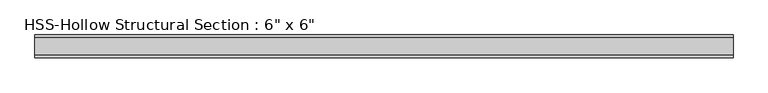
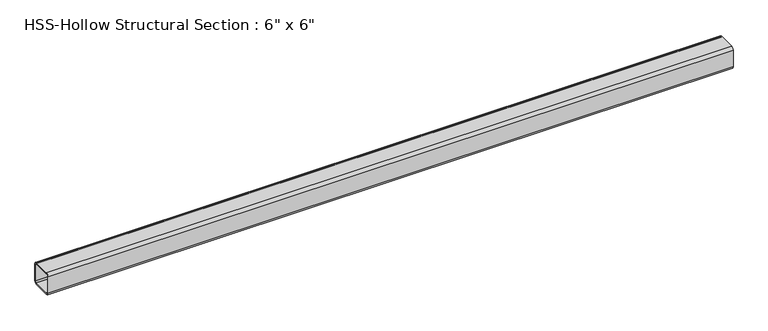
"""IFC4 building model written with IfcOpenShell, lengths in millimetres: beam geometry."""

from ifc_helpers import new_model, si_unit, point, frame, frame_2d, origin, place, context, project, spatial, polyline, circle_curve, trimmed, segment, composite_curve, outline, extrude, source, transform, mapped, element, save


def beam_f4273129(model_context):
    return source(origin(), model_context, "Body", "SweptSolid", [
        extrude(outline(composite_curve([segment(trimmed(circle_curve(frame_2d((-58.5390625, 58.5390625)), 17.6609375), [point((-76.2, 58.5390625))], [point((-58.5390625, 76.2))], False, "CARTESIAN"), True, "CONTINUOUS"), segment(polyline([(-58.5390625, 76.2), (58.5390625, 76.2)]), True, "CONTINUOUS"), segment(trimmed(circle_curve(frame_2d((58.5390625, 58.5390625)), 17.6609375), [point((58.5390625, 76.2))], [point((76.2, 58.5390625))], False, "CARTESIAN"), True, "CONTINUOUS"), segment(polyline([(76.2, 58.5390625), (76.2, -58.5390625)]), True, "CONTINUOUS"), segment(trimmed(circle_curve(frame_2d((58.5390625, -58.5390625)), 17.6609375), [point((76.2, -58.5390625))], [point((58.5390625, -76.2))], False, "CARTESIAN"), True, "CONTINUOUS"), segment(polyline([(58.5390625, -76.2), (-58.5390625, -76.2)]), True, "CONTINUOUS"), segment(trimmed(circle_curve(frame_2d((-58.5390625, -58.5390625)), 17.6609375), [point((-58.5390625, -76.2))], [point((-76.2, -58.5390625))], False, "CARTESIAN"), True, "CONTINUOUS"), segment(polyline([(-76.2, -58.5390625), (-76.2, 58.5390625)]), True, "CONTINUOUS")], self_intersect=False), holes=[composite_curve([segment(polyline([(58.5390625, 67.3695312), (-58.5390625, 67.3695312)]), True, "CONTINUOUS"), segment(trimmed(circle_curve(frame_2d((-58.5390625, 58.5390625)), 8.8304687), [point((-58.5390625, 67.3695312))], [point((-67.3695312, 58.5390625))], True, "CARTESIAN"), True, "CONTINUOUS"), segment(polyline([(-67.3695312, 58.5390625), (-67.3695312, -58.5390625)]), True, "CONTINUOUS"), segment(trimmed(circle_curve(frame_2d((-58.5390625, -58.5390625)), 8.8304687), [point((-67.3695312, -58.5390625))], [point((-58.5390625, -67.3695313))], True, "CARTESIAN"), True, "CONTINUOUS"), segment(polyline([(-58.5390625, -67.3695313), (58.5390625, -67.3695313)]), True, "CONTINUOUS"), segment(trimmed(circle_curve(frame_2d((58.5390625, -58.5390625)), 8.8304687), [point((58.5390625, -67.3695313))], [point((67.3695313, -58.5390625))], True, "CARTESIAN"), True, "CONTINUOUS"), segment(polyline([(67.3695313, -58.5390625), (67.3695313, 58.5390625)]), True, "CONTINUOUS"), segment(trimmed(circle_curve(frame_2d((58.5390625, 58.5390625)), 8.8304687), [point((67.3695313, 58.5390625))], [point((58.5390625, 67.3695312))], True, "CARTESIAN"), True, "CONTINUOUS")], self_intersect=False)]), frame((-2305.4146039, 0.0, 0.0), z_axis=(1.0, 0.0, 0.0), x_axis=(0.0, 1.0, 0.0)), (0.0, 0.0, 1.0), 4610.8292078),
    ])


if __name__ == "__main__":
    model = new_model("IFC4")
    model_context = context("Model", 3, world=origin())
    ifc_project = project(units=[si_unit("LENGTHUNIT", "METRE", prefix="MILLI")], contexts=[model_context])
    site = spatial("IfcSite", under=ifc_project)
    building = spatial("IfcBuilding", under=site)
    placement = place(None, origin())
    beam_shape = beam_f4273129(model_context)
    element("IfcBeam", 1, ObjectType="HSS-Hollow Structural Section : 6\" x 6\"", at=placement, inside=building, context=model_context, shape_type="MappedRepresentation", body=[
        mapped(beam_shape, transform((0.0, 0.0, 0.0), x_axis=(1.0, 0.0, 0.0), y_axis=(0.0, 1.0, 0.0), z_axis=(0.0, 0.0, 1.0))),
    ])
    save(model, "model.ifc")
